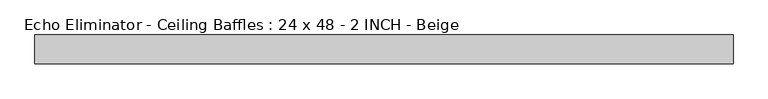
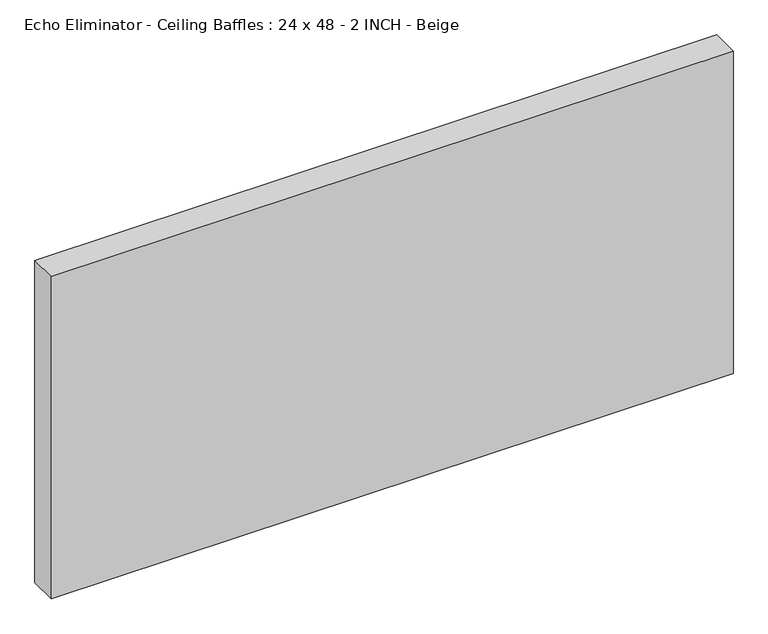
"""IFC4 building model written with IfcOpenShell, lengths in millimetres: proxy geometry, Echo Eliminator - Ceiling Baffles : 24 x 48 - 2 INCH - Beige."""

from ifc_helpers import new_model, si_unit, origin, origin_with_axes, place, context, project, spatial, polyline, outline, extrude, source, transform, mapped, element, save


def echo_eliminator_ceiling_baffles_24_x_48_2_inch_beige_998ab8e6(model_context):
    return source(origin(), model_context, "Body", "SweptSolid", [
        extrude(outline(polyline([(609.6, -50.8), (-609.6, -50.8), (-609.6, 0.0), (609.6, 0.0), (609.6, -50.8)])), origin_with_axes(), (0.0, 0.0, 1.0), 609.6),
    ])


if __name__ == "__main__":
    model = new_model("IFC4")
    model_context = context("Model", 3, world=origin())
    ifc_project = project(units=[si_unit("LENGTHUNIT", "METRE", prefix="MILLI")], contexts=[model_context])
    site = spatial("IfcSite", under=ifc_project)
    building = spatial("IfcBuilding", under=site)
    placement = place(None, origin())
    echo_eliminator_ceiling_baffles_24_x_48_2_inch_beige_shape = echo_eliminator_ceiling_baffles_24_x_48_2_inch_beige_998ab8e6(model_context)
    element("IfcBuildingElementProxy", 1, Name="Echo Eliminator - Ceiling Baffles : 24 x 48 - 2 INCH - Beige", ObjectType="Echo Eliminator - Ceiling Baffles : 24 x 48 - 2 INCH - Beige", at=placement, inside=building, context=model_context, shape_type="MappedRepresentation", body=[
        mapped(echo_eliminator_ceiling_baffles_24_x_48_2_inch_beige_shape, transform((0.0, 0.0, 0.0), x_axis=(1.0, 0.0, 0.0), y_axis=(0.0, 1.0, 0.0), z_axis=(0.0, 0.0, 1.0))),
    ])
    save(model, "model.ifc")
